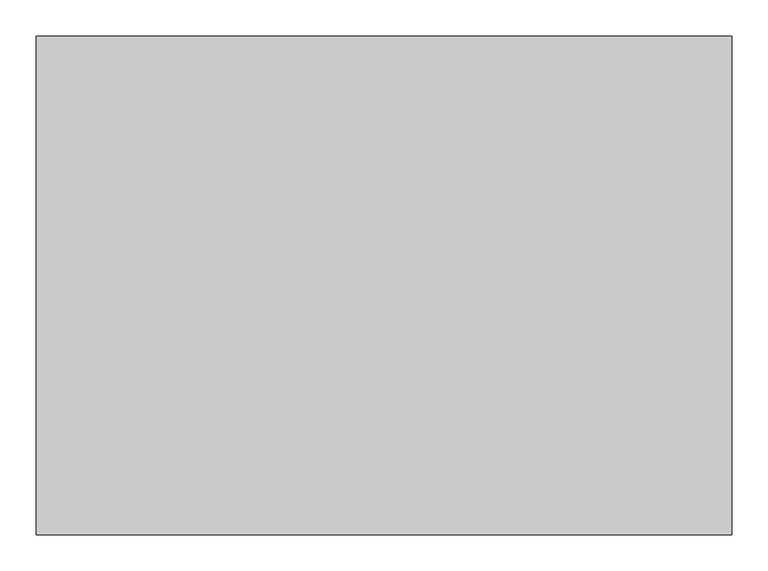
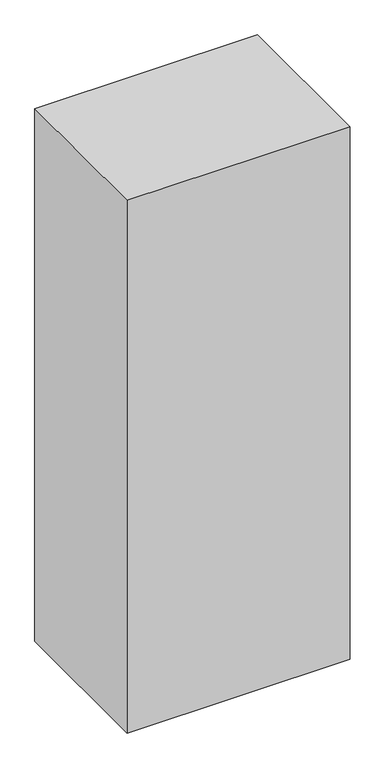
"""IFC4 building model written with IfcOpenShell, lengths in millimetres: proxy geometry."""

from ifc_helpers import new_model, si_unit, origin, origin_with_axes, place, context, project, spatial, polyline, outline, extrude, source, transform, mapped, element, save


def generic_models_c70c9dd5(model_context):
    return source(origin(), model_context, "Body", "SweptSolid", [
        extrude(outline(polyline([(457.2, -139.065), (457.2, -205.74), (-457.2, -205.74), (-457.2, -139.065), (457.2, -139.065)])), origin_with_axes(), (0.0, 0.0, 1.0), 2389.1875),
        extrude(outline(polyline([(457.2, -24.13), (457.2, -90.805), (-457.2, -90.805), (-457.2, -24.13), (457.2, -24.13)])), origin_with_axes(), (0.0, 0.0, 1.0), 2389.1875),
        extrude(outline(polyline([(457.2, 90.805), (457.2, 24.13), (-457.2, 24.13), (-457.2, 90.805), (457.2, 90.805)])), origin_with_axes(), (0.0, 0.0, 1.0), 2389.1875),
        extrude(outline(polyline([(457.2, 205.74), (457.2, 139.065), (-457.2, 139.065), (-457.2, 205.74), (457.2, 205.74)])), origin_with_axes(), (0.0, 0.0, 1.0), 2389.1875),
        extrude(outline(polyline([(457.2, -254.0), (457.2, -320.675), (-457.2, -320.675), (-457.2, -254.0), (457.2, -254.0)])), origin_with_axes(), (0.0, 0.0, 1.0), 2389.1875),
        extrude(outline(polyline([(457.2, 320.675), (457.2, 254.0), (-457.2, 254.0), (-457.2, 320.675), (457.2, 320.675)])), origin_with_axes(), (0.0, 0.0, 1.0), 2389.1875),
        extrude(outline(polyline([(482.6, 346.075), (482.6, -346.075), (-482.6, -346.075), (-482.6, 346.075), (482.6, 346.075)])), origin_with_axes(), (0.0, 0.0, 1.0), 2438.4),
    ])


if __name__ == "__main__":
    model = new_model("IFC4")
    model_context = context("Model", 3, world=origin())
    ifc_project = project(units=[si_unit("LENGTHUNIT", "METRE", prefix="MILLI")], contexts=[model_context])
    site = spatial("IfcSite", under=ifc_project)
    building = spatial("IfcBuilding", under=site)
    placement = place(None, origin())
    generic_models_shape = generic_models_c70c9dd5(model_context)
    element("IfcBuildingElementProxy", 1, Name="Generic Models", at=placement, inside=building, context=model_context, shape_type="MappedRepresentation", body=[
        mapped(generic_models_shape, transform((0.0, 0.0, 0.0), x_axis=(1.0, 0.0, 0.0), y_axis=(0.0, 1.0, 0.0), z_axis=(0.0, 0.0, 1.0))),
    ])
    save(model, "model.ifc")
